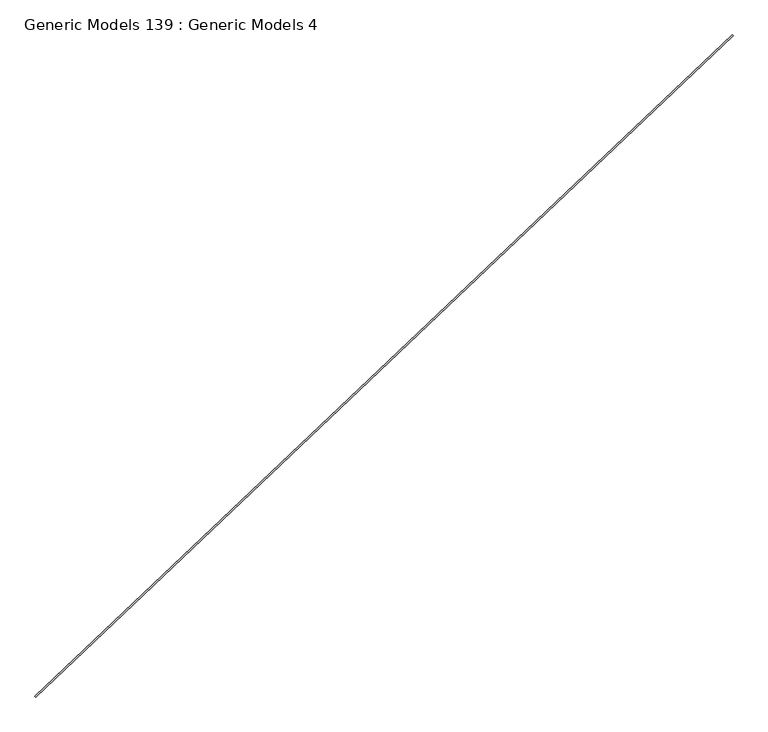
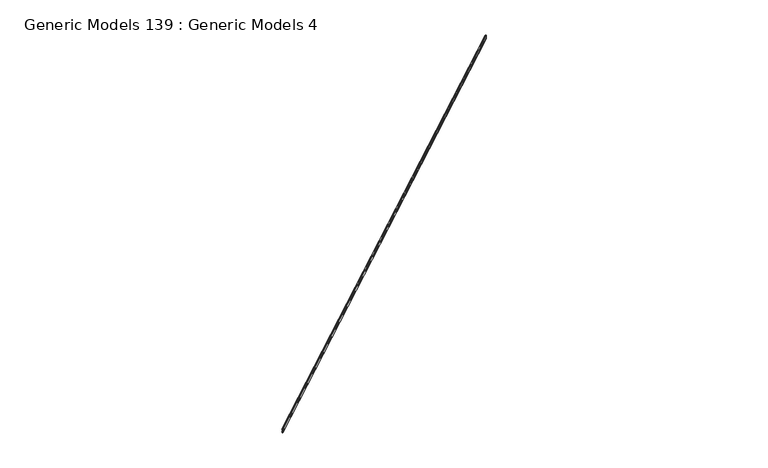
"""IFC4 building model written with IfcOpenShell, lengths in millimetres: proxy geometry, Generic Models 139 : Generic Models 4."""

from ifc_helpers import new_model, si_unit, frame, origin, place, context, project, spatial, polyline, outline, extrude, source, transform, mapped, element, save


def generic_models_139_generic_models_4_c2bf63f3(model_context):
    return source(origin(), model_context, "Body", "SweptSolid", [
        extrude(outline(polyline([(101.6, 0.0), (101.6, -19.0499999), (100.076, -19.0499999), (100.076, -4.572), (94.44736, -4.572), (94.44736, -3.048), (96.09836, -3.048), (96.09836, -1.5239999), (18.2118, -1.5239999), (18.2118, -3.048), (19.8628, -3.048), (19.8628, -4.572), (14.224, -4.572), (14.224, -19.0499999), (12.7, -19.0499999), (12.7, -3.683), (0.0, -3.683), (0.0, 0.0), (101.6, 0.0)])), frame((95535.6457353, 49074.3312749, 16534.4436302), z_axis=(0.725374371012385, 0.6883545756936514, 0.0), x_axis=(0.0, 0.0, 1.0)), (0.0, 0.0, 1.0), 17560.925),
    ])


if __name__ == "__main__":
    model = new_model("IFC4")
    model_context = context("Model", 3, world=origin())
    ifc_project = project(units=[si_unit("LENGTHUNIT", "METRE", prefix="MILLI")], contexts=[model_context])
    site = spatial("IfcSite", under=ifc_project)
    building = spatial("IfcBuilding", under=site)
    placement = place(None, origin())
    generic_models_139_generic_models_4_shape = generic_models_139_generic_models_4_c2bf63f3(model_context)
    element("IfcBuildingElementProxy", 1, Name="Generic Models 139 : Generic Models 4", ObjectType="Generic Models 139 : Generic Models 4", at=placement, inside=building, context=model_context, shape_type="MappedRepresentation", body=[
        mapped(generic_models_139_generic_models_4_shape, transform((0.0, 0.0, 0.0), x_axis=(1.0, 0.0, 0.0), y_axis=(0.0, 1.0, 0.0), z_axis=(0.0, 0.0, 1.0))),
    ])
    save(model, "model.ifc")
